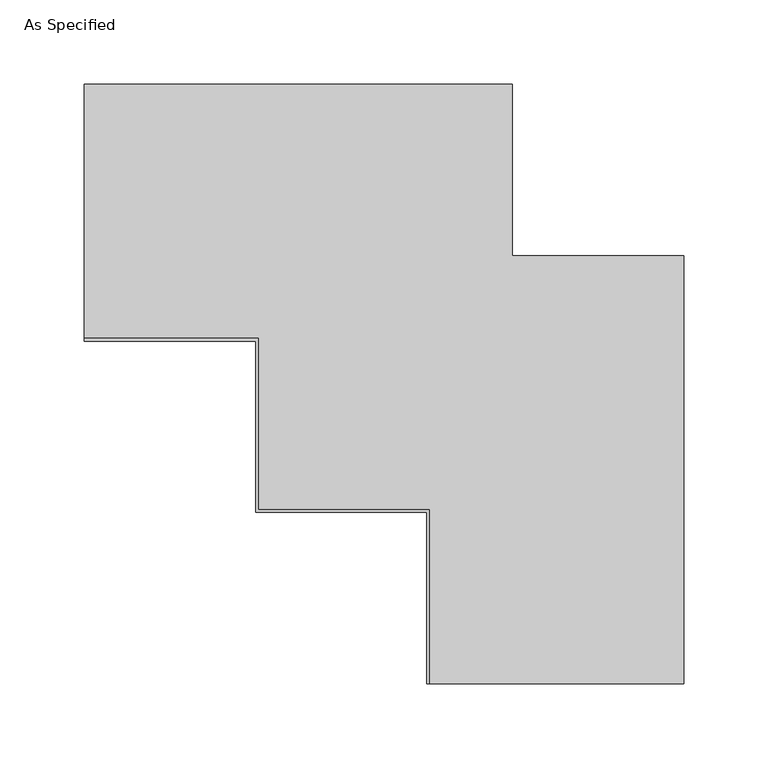
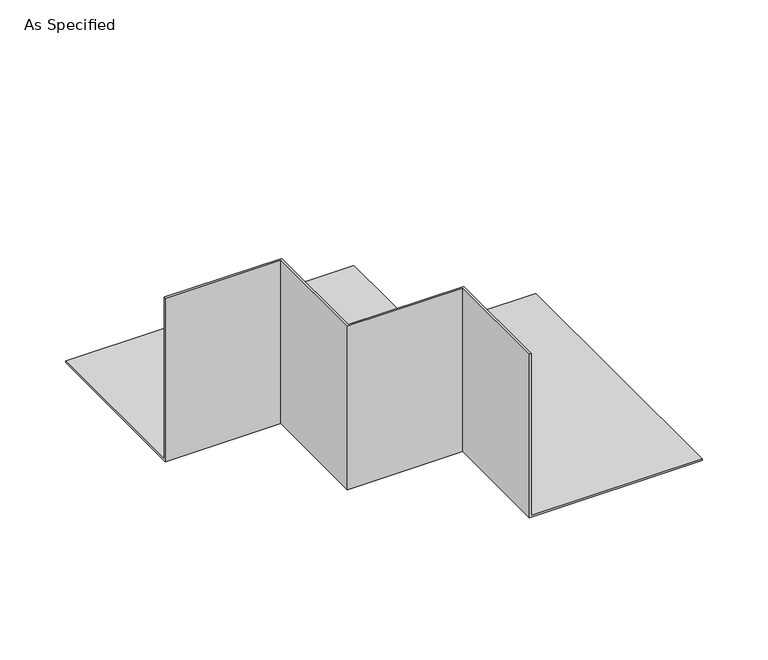
"""IFC4 building model written with IfcOpenShell, lengths in millimetres: proxy geometry, As Specified."""

from ifc_helpers import new_model, si_unit, origin, place, context, project, spatial, faceted_brep, source, transform, mapped, element, save


def as_specified_0c44d726(model_context):
    return source(origin(), model_context, "Body", "Brep", [
        faceted_brep([(152.4, -101.6, 0.0), (152.4, -101.6, 1.5875), (1.5875, -101.6, 1.5875), (1.5875, -101.6, 152.4), (0.0, -101.6, 152.4), (0.0, -101.6, 0.0), (1.5875, 1.5875, 1.5875), (1.5875, 1.5875, 152.4), (-100.0125, 1.5875, 152.4), (-100.0125, 103.1875, 152.4), (-203.2, 103.1875, 152.4), (-203.2, 101.6, 152.4), (-101.6, 101.6, 152.4), (-101.6, 0.0, 152.4), (0.0, 0.0, 152.4), (0.0, 0.0, 0.0), (-101.6, 0.0, 0.0), (-101.6, 101.6, 0.0), (-203.2, 101.6, 0.0), (-203.2, 254.0, 0.0), (50.8, 254.0, 0.0), (50.8, 152.4, 0.0), (152.4, 152.4, 0.0), (-203.2, 103.1875, 1.5875), (-203.2, 254.0, 1.5875), (-100.0125, 1.5875, 1.5875), (152.4, 152.4, 1.5875), (50.8, 152.4, 1.5875), (50.8, 254.0, 1.5875), (-100.0125, 103.1875, 1.5875)], [[[0, 1, 2, 3, 4, 5]], [[3, 2, 6, 7]], [[4, 3, 7, 8, 9, 10, 11, 12, 13, 14]], [[5, 4, 14, 15]], [[0, 5, 15, 16, 17, 18, 19, 20, 21, 22]], [[19, 18, 11, 10, 23, 24]], [[7, 6, 25, 8]], [[15, 14, 13, 16]], [[1, 0, 22, 26]], [[2, 1, 26, 27, 28, 24, 23, 29, 25, 6]], [[26, 22, 21, 27]], [[27, 21, 20, 28]], [[8, 25, 29, 9]], [[16, 13, 12, 17]], [[28, 20, 19, 24]], [[9, 29, 23, 10]], [[17, 12, 11, 18]]]),
    ])


if __name__ == "__main__":
    model = new_model("IFC4")
    model_context = context("Model", 3, world=origin())
    ifc_project = project(units=[si_unit("LENGTHUNIT", "METRE", prefix="MILLI")], contexts=[model_context])
    site = spatial("IfcSite", under=ifc_project)
    building = spatial("IfcBuilding", under=site)
    placement = place(None, origin())
    as_specified_shape = as_specified_0c44d726(model_context)
    element("IfcBuildingElementProxy", 1, Name="As Specified", ObjectType="As Specified", at=placement, inside=building, context=model_context, shape_type="MappedRepresentation", body=[
        mapped(as_specified_shape, transform((0.0, 0.0, 0.0), x_axis=(1.0, 0.0, 0.0), y_axis=(0.0, 1.0, 0.0), z_axis=(0.0, 0.0, 1.0))),
    ])
    save(model, "model.ifc")
